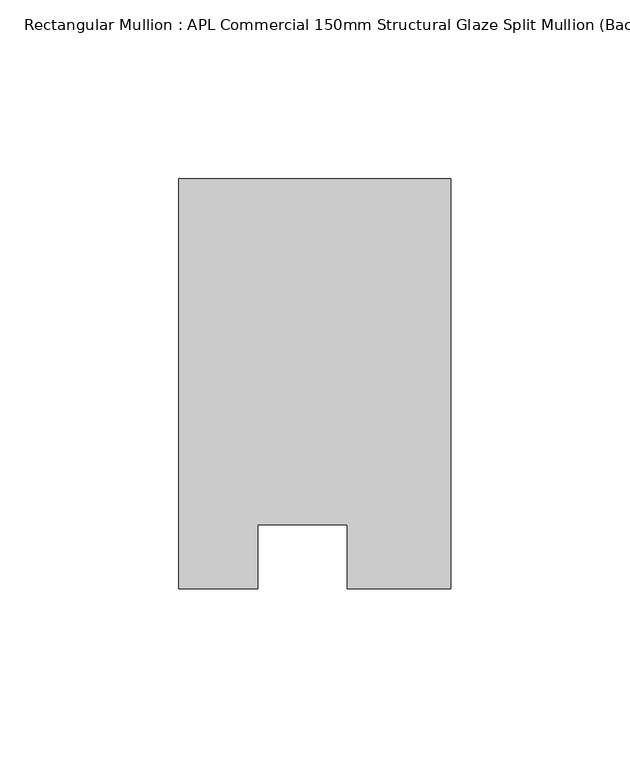
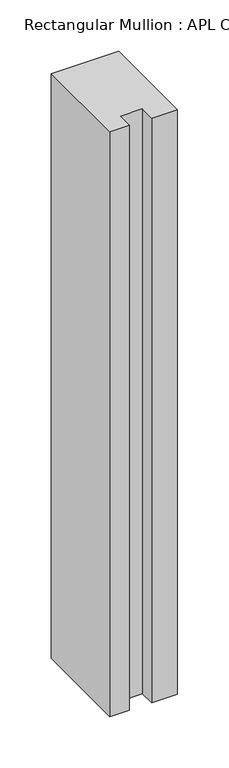
"""IFC4 building model written with IfcOpenShell, lengths in millimetres: member geometry, Rectangular Mullion : APL Commercial 150mm Structural Glaze Split Mullion (Back)."""

from ifc_helpers import new_model, si_unit, frame, origin, place, context, project, spatial, polyline, outline, extrude, source, transform, mapped, element, save


def rectangular_mullion_apl_commercial_150mm_structural_glaze_40321ec3(model_context):
    return source(origin(), model_context, "Body", "SweptSolid", [
        extrude(outline(polyline([(37.9999914, 129.5195626), (37.9999914, 14.9960123), (9.0, 14.9960123), (9.0, 32.7960123), (-16.0, 32.7960123), (-16.0, 14.9960123), (-37.9999896, 14.9960123), (-37.9999896, 129.5195626), (37.9999914, 129.5195626)])), frame((0.0, 0.0, -697.0382292), z_axis=(0.0, 0.0, 1.0), x_axis=(1.0, 0.0, 0.0)), (0.0, 0.0, 1.0), 697.0382292),
    ])


if __name__ == "__main__":
    model = new_model("IFC4")
    model_context = context("Model", 3, world=origin())
    ifc_project = project(units=[si_unit("LENGTHUNIT", "METRE", prefix="MILLI")], contexts=[model_context])
    site = spatial("IfcSite", under=ifc_project)
    building = spatial("IfcBuilding", under=site)
    placement = place(None, origin())
    rectangular_mullion_apl_commercial_150mm_structural_glaze_shape = rectangular_mullion_apl_commercial_150mm_structural_glaze_40321ec3(model_context)
    element("IfcMember", 1, ObjectType="Rectangular Mullion : APL Commercial 150mm Structural Glaze Split Mullion (Back)", at=placement, inside=building, context=model_context, shape_type="MappedRepresentation", body=[
        mapped(rectangular_mullion_apl_commercial_150mm_structural_glaze_shape, transform((0.0, 0.0, 0.0), x_axis=(1.0, 0.0, 0.0), y_axis=(0.0, 1.0, 0.0), z_axis=(0.0, 0.0, 1.0))),
    ])
    save(model, "model.ifc")
